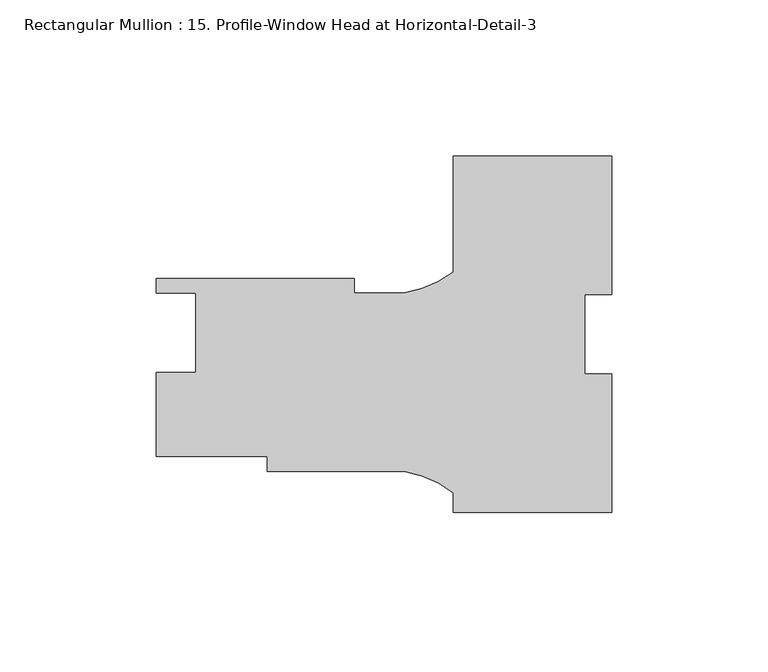
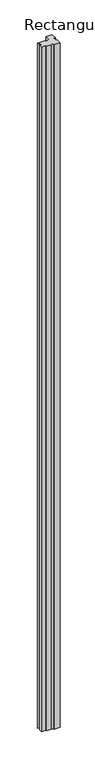
"""IFC4 building model written with IfcOpenShell, lengths in millimetres: member geometry, Rectangular Mullion : 15. Profile-Window Head at Horizontal-Detail-3."""

from ifc_helpers import new_model, si_unit, point, frame, frame_2d, origin, place, context, project, spatial, polyline, circle_curve, trimmed, segment, composite_curve, outline, extrude, source, transform, mapped, element, save


def rectangular_mullion_15_profile_window_head_at_horizontal_114acc92(model_context):
    return source(origin(), model_context, "Body", "SweptSolid", [
        extrude(outline(composite_curve([segment(polyline([(25.4, 15.6765625), (16.66875, 15.6765625), (16.66875, -9.7784401), (25.4, -9.7784401), (25.4, -54.1734375), (-25.4, -54.1734375), (-25.4, -47.8786431)]), True, "CONTINUOUS"), segment(trimmed(circle_curve(frame_2d((-47.5843006, -77.4226801)), 36.945816), [point((-25.4, -47.8786431))], [point((-41.2172861, -41.0296252))], True, "CARTESIAN"), True, "CONTINUOUS"), segment(polyline([(-41.2172861, -41.0296252), (-85.0500517, -41.0296252), (-85.0500517, -36.2671252), (-120.65, -36.2671252), (-120.65, -9.2161252), (-107.95, -9.2161252), (-107.95, 16.1838748), (-120.65, 16.1838748), (-120.65, 20.8828748), (-57.15, 20.8828748), (-57.15, 16.1203748), (-41.2187366, 16.1203748)]), True, "CONTINUOUS"), segment(trimmed(circle_curve(frame_2d((-47.5843006, 52.5136835)), 36.945816), [point((-41.2187366, 16.1203748))], [point((-25.4, 22.9696464))], True, "CARTESIAN"), True, "CONTINUOUS"), segment(polyline([(-25.4, 22.9696464), (-25.4, 60.1265625), (25.4, 60.1265625), (25.4, 15.6765625)]), True, "CONTINUOUS")], self_intersect=False)), frame((0.0, 0.0, -6032.5), z_axis=(0.0, 0.0, 1.0), x_axis=(1.0, 0.0, 0.0)), (0.0, 0.0, 1.0), 6032.5),
    ])


if __name__ == "__main__":
    model = new_model("IFC4")
    model_context = context("Model", 3, world=origin())
    ifc_project = project(units=[si_unit("LENGTHUNIT", "METRE", prefix="MILLI")], contexts=[model_context])
    site = spatial("IfcSite", under=ifc_project)
    building = spatial("IfcBuilding", under=site)
    placement = place(None, origin())
    rectangular_mullion_15_profile_window_head_at_horizontal_shape = rectangular_mullion_15_profile_window_head_at_horizontal_114acc92(model_context)
    element("IfcMember", 1, ObjectType="Rectangular Mullion : 15. Profile-Window Head at Horizontal-Detail-3", at=placement, inside=building, context=model_context, shape_type="MappedRepresentation", body=[
        mapped(rectangular_mullion_15_profile_window_head_at_horizontal_shape, transform((0.0, 0.0, 0.0), x_axis=(1.0, 0.0, 0.0), y_axis=(0.0, 1.0, 0.0), z_axis=(0.0, 0.0, 1.0))),
    ])
    save(model, "model.ifc")
